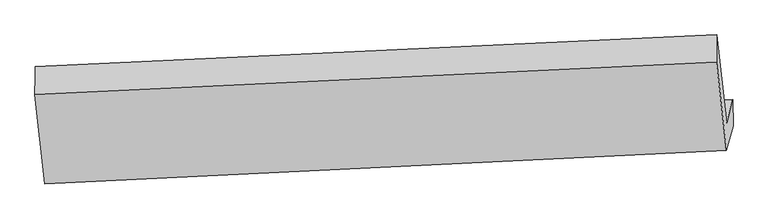
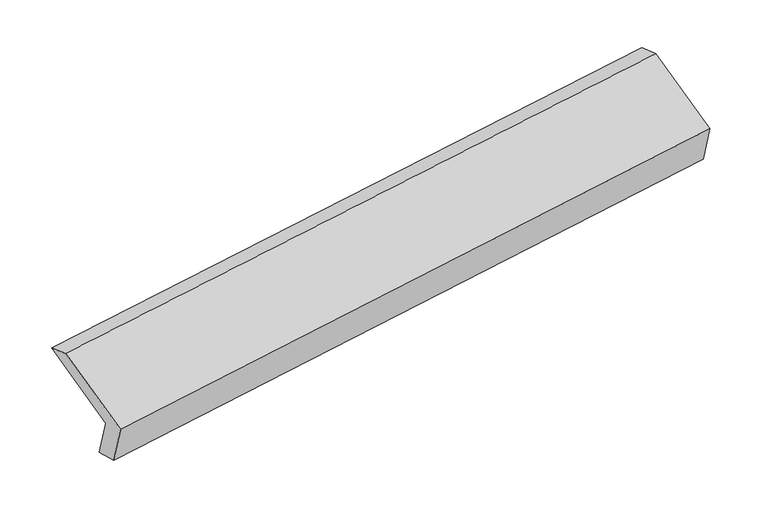
"""IFC4 building model written with IfcOpenShell, lengths in millimetres: proxy geometry."""

from ifc_helpers import new_model, si_unit, frame, origin, place, context, project, spatial, source, transform, mapped, element, save
from ifc_brep_helpers import plane_surface, spline_surface, advanced_brep


def generic_models_905f5969(model_context):
    return source(origin(), model_context, "Body", "AdvancedBrep", [
        advanced_brep(
        [(-5143.0796323, -1615.2497887, 1234.1773977), (-5186.4690265, -1774.9023405, 1583.3869741), (-519.4670724, -1556.2094832, 2263.2459366), (-476.0776782, -1396.5569315, 1914.0363602), (-5141.5968003, -1807.535864, 1285.8516619), (-474.4855246, -1575.6166091, 1960.7055815), (-5187.2319175, -1975.4516195, 1653.1354241), (-520.1206418, -1743.5323646, 2327.9893437), (-5255.5956249, -1362.003623, 1925.09898), (-587.4708094, -1139.1791639, 2595.9208496), (-5253.8191941, -1170.5491398, 1851.3184799), (-586.8172401, -951.8562825, 2531.1774424)],
        [
            (0, 1),
            (1, 2),
            (2, 3),
            (3, 0),
            (4, 0),
            (3, 5),
            (5, 4),
            (6, 4),
            (5, 7),
            (7, 6),
            (8, 6),
            (7, 9),
            (9, 8),
            (10, 8),
            (9, 11),
            (11, 10),
            (1, 10),
            (11, 2),
        ],
        [
            plane_surface(frame((-5164.7743294, -1695.0760646, 1408.7821859), z_axis=(-0.10135397942167693, 0.9094795758274951, 0.4032049999789565), x_axis=(-0.11228614927354315, -0.4131601875812703, 0.903709289583287))),
            spline_surface(1, 1, [[(-5141.5968003, -1807.535864, 1285.8516619), (-474.4855246, -1575.6166091, 1960.7055815)], [(-5143.0796323, -1615.2497887, 1234.1773977), (-476.0776782, -1396.5569315, 1914.0363602)]], [2, 2], [2, 2], [0.0, 1.0], [0.0, 1.0]),
            plane_surface(frame((-5164.4143589, -1891.4937417, 1469.493543), z_axis=(0.10344742379681252, -0.9093794276376329, -0.4028991028772018), x_axis=(0.11228614927354306, 0.4131601875812698, -0.9037092895832872))),
            plane_surface(frame((-5221.4137712, -1668.7276213, 1789.1172021), z_axis=(-0.11019222569163137, -0.41306115266359766, 0.9040122552030724), x_axis=(0.10135397942168117, -0.9094795758274966, -0.4032049999789516))),
            spline_surface(1, 1, [[(-5253.8191941, -1170.5491398, 1851.3184799), (-586.8172401, -951.8562825, 2531.1774424)], [(-5255.5956249, -1362.003623, 1925.09898), (-587.4708094, -1139.1791639, 2595.9208496)]], [2, 2], [2, 2], [0.0, 1.0], [0.0, 1.0]),
            plane_surface(frame((-5220.1441103, -1472.7257401, 1717.352727), z_axis=(0.11228614927354431, 0.41316018758126616, -0.9037092895832887), x_axis=(-0.10135397942168117, 0.9094795758274966, 0.4032049999789516))),
            plane_surface(frame((-527.4064944, -1393.8251391, 2265.5125857), z_axis=(0.9884933947865858, 0.046320195924131106, 0.14399738856257485), x_axis=(0.10135397942168117, -0.9094795758274966, -0.4032049999789516))),
            plane_surface(frame((-5194.6320326, -1617.6153959, 1588.828153), z_axis=(-0.9884933947865848, -0.04632019592413995, -0.1439973885625795), x_axis=(0.11228614927354366, 0.41316018758127027, -0.9037092895832869))),
        ],
        [
            (0, [[1, 2, 3, 4]]),
            (1, [[5, -4, 6, 7]]),
            (2, [[8, -7, 9, 10]]),
            (3, [[11, -10, 12, 13]]),
            (4, [[14, -13, 15, 16]]),
            (5, [[17, -16, 18, -2]]),
            (6, [[-12, -9, -6, -3, -18, -15]]),
            (7, [[-1, -5, -8, -11, -14, -17]]),
        ],
    ),
    ])


if __name__ == "__main__":
    model = new_model("IFC4")
    model_context = context("Model", 3, world=origin())
    ifc_project = project(units=[si_unit("LENGTHUNIT", "METRE", prefix="MILLI")], contexts=[model_context])
    site = spatial("IfcSite", under=ifc_project)
    building = spatial("IfcBuilding", under=site)
    placement = place(None, origin())
    generic_models_shape = generic_models_905f5969(model_context)
    element("IfcBuildingElementProxy", 1, Name="Generic Models", at=placement, inside=building, context=model_context, shape_type="MappedRepresentation", body=[
        mapped(generic_models_shape, transform((0.0, 0.0, 0.0), x_axis=(1.0, 0.0, 0.0), y_axis=(0.0, 1.0, 0.0), z_axis=(0.0, 0.0, 1.0))),
    ])
    save(model, "model.ifc")
